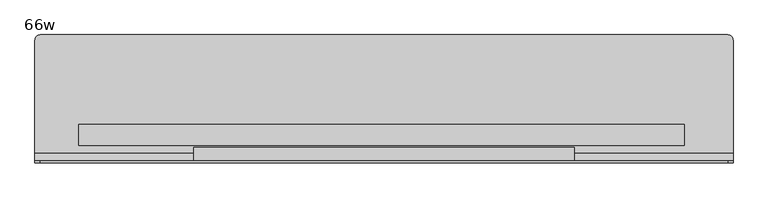
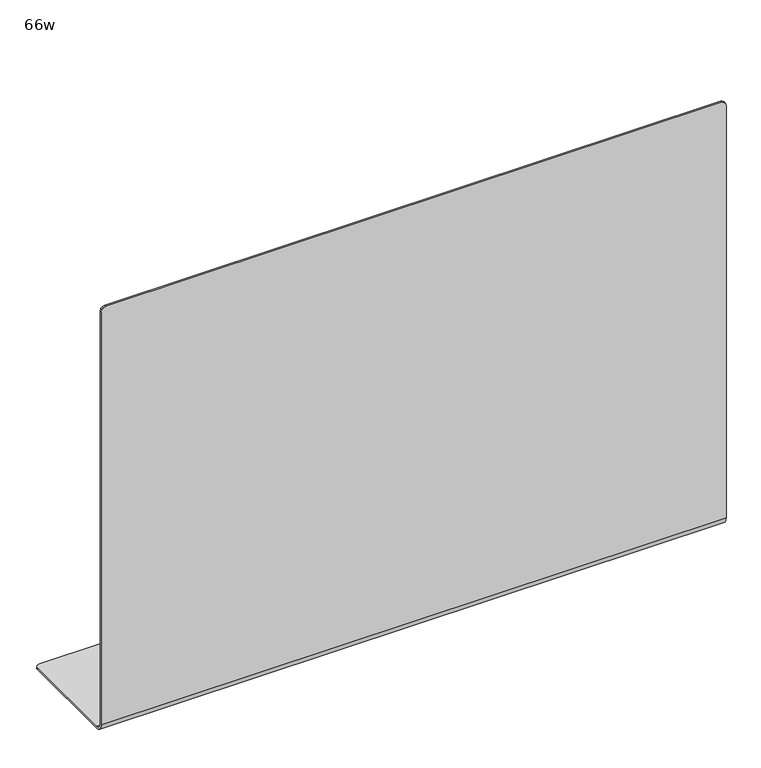
"""IFC4 building model written with IfcOpenShell, lengths in millimetres: furniture geometry, 66w."""

from ifc_helpers import new_model, si_unit, frame, origin, place, context, project, spatial, polyline, circle_curve, outline, extrude, source, transform, mapped, element, save
from ifc_brep_helpers import plane_surface, cylinder_surface, revolved_surface, advanced_brep


def furniture_66w_752605f5(model_context):
    return source(origin(), model_context, "Body", "SolidModel", [
        extrude(outline(polyline([(936.625, 524.3972258), (936.625, 473.5972258), (-517.525, 473.5972258), (-517.525, 524.3972258), (936.625, 524.3972258)])), frame((0.0, 0.0, 952.5), z_axis=(0.0, 0.0, 1.0), x_axis=(1.0, 0.0, 0.0)), (0.0, 0.0, 1.0), 876.3),
        extrude(outline(polyline([(-241.3, 468.8347258), (673.1, 468.8347258), (673.1, 437.0847266), (-241.3, 437.0847266), (-241.3, 468.8347258)])), frame((0.0, 0.0, 1257.3), z_axis=(0.0, 0.0, 1.0), x_axis=(1.0, 0.0, 0.0)), (0.0, 0.0, 1.0), 520.7),
        advanced_brep(
        [(-622.3, 437.0847266, 1968.5), (-622.3, 437.0847266, 798.5125), (-622.3, 456.1347266, 779.4625), (-622.3, 727.5972258, 779.4625), (-622.3, 727.5972258, 774.7), (-622.3, 456.1347266, 774.7), (-622.3, 432.3222266, 798.5125), (-622.3, 432.3222266, 1968.5), (1054.1, 437.0847266, 798.5125), (1054.1, 437.0847266, 1968.5), (1054.1, 432.3222266, 1968.5), (1054.1, 432.3222266, 798.5125), (1054.1, 456.1347266, 774.7), (1054.1, 727.5972258, 774.7), (1054.1, 727.5972258, 779.4625), (1054.1, 456.1347266, 779.4625), (-609.6, 437.0847266, 1981.2), (1041.4, 437.0847266, 1981.2), (1041.4, 432.3222265, 1981.2), (-609.6, 432.3222265, 1981.2), (-609.6, 740.2972258, 774.7), (1041.4, 740.2972258, 774.7), (-609.6, 740.2972258, 779.4625), (1041.4, 740.2972258, 779.4625)],
        [
            (0, 1),
            (1, 2, circle_curve(frame((-622.3, 456.1347266, 798.5125), z_axis=(1.0, 0.0, 0.0), x_axis=(0.0, -1.0, 0.0)), 19.05)),
            (2, 3),
            (3, 4),
            (4, 5),
            (5, 6, circle_curve(frame((-622.3, 456.1347266, 798.5125), z_axis=(-1.0, 0.0, 0.0), x_axis=(0.0, -1.0, 0.0)), 23.8125)),
            (6, 7),
            (7, 0),
            (8, 9),
            (9, 10),
            (10, 11),
            (11, 12, circle_curve(frame((1054.1, 456.1347266, 798.5125), z_axis=(1.0, 0.0, 0.0), x_axis=(0.0, -1.0, 0.0)), 23.8125)),
            (12, 13),
            (13, 14),
            (14, 15),
            (15, 8, circle_curve(frame((1054.1, 456.1347266, 798.5125), z_axis=(-1.0, 0.0, 0.0), x_axis=(0.0, -1.0, 0.0)), 19.05)),
            (0, 16, circle_curve(frame((-609.6, 437.0847266, 1968.5), z_axis=(0.0, 1.0, 0.0), x_axis=(0.0, 0.0, 1.0)), 12.7)),
            (16, 17),
            (17, 9, circle_curve(frame((1041.4, 437.0847266, 1968.5), z_axis=(0.0, 1.0, 0.0), x_axis=(0.0, 0.0, 1.0)), 12.7)),
            (8, 1),
            (6, 11),
            (10, 18, circle_curve(frame((1041.4, 432.3222265, 1968.5), z_axis=(0.0, -1.0, 0.0), x_axis=(0.0, 0.0, 1.0)), 12.7)),
            (18, 19),
            (19, 7, circle_curve(frame((-609.6, 432.3222265, 1968.5), z_axis=(0.0, -1.0, 0.0), x_axis=(0.0, 0.0, 1.0)), 12.7)),
            (5, 12),
            (4, 20, circle_curve(frame((-609.6, 727.5972258, 774.7), z_axis=(0.0, 0.0, -1.0), x_axis=(1.0, 0.0, 0.0)), 12.7)),
            (20, 21),
            (21, 13, circle_curve(frame((1041.4, 727.5972258, 774.7), z_axis=(0.0, 0.0, -1.0), x_axis=(1.0, 0.0, 0.0)), 12.7)),
            (20, 22),
            (22, 23),
            (23, 21),
            (14, 23, circle_curve(frame((1041.4, 727.5972258, 779.4625), z_axis=(0.0, 0.0, 1.0), x_axis=(1.0, 0.0, 0.0)), 12.7)),
            (22, 3, circle_curve(frame((-609.6, 727.5972258, 779.4625), z_axis=(0.0, 0.0, 1.0), x_axis=(1.0, 0.0, 0.0)), 12.7)),
            (2, 15),
            (18, 17),
            (16, 19),
        ],
        [
            plane_surface(frame((-622.3, 437.0847266, 811.2125), z_axis=(-1.0, 0.0, 0.0), x_axis=(0.0, 0.0, 1.0))),
            plane_surface(frame((1054.1, 437.0847266, 811.2125), z_axis=(1.0, 0.0, 0.0), x_axis=(0.0, 0.0, -1.0))),
            plane_surface(frame((-622.3, 437.0847266, 798.5125), z_axis=(0.0, 1.0, 0.0), x_axis=(1.0, 0.0, 0.0))),
            plane_surface(frame((-622.3, 432.3222266, 811.2125), z_axis=(0.0, -1.0, -1.1425527191491285e-11), x_axis=(1.0, 0.0, 0.0))),
            cylinder_surface(frame((1054.1, 456.1347266, 798.5125), z_axis=(-1.0, 0.0, 0.0), x_axis=(0.0, -1.0, 0.0)), 23.8125),
            plane_surface(frame((-622.3, 456.1347266, 774.7), z_axis=(0.0, 0.0, -1.0), x_axis=(1.0, 0.0, 0.0))),
            plane_surface(frame((-622.3, 740.2972258, 774.7), z_axis=(0.0, 1.0, 0.0), x_axis=(1.0, 0.0, 0.0))),
            plane_surface(frame((-622.3, 740.2972258, 779.4625), z_axis=(0.0, 0.0, 1.0), x_axis=(1.0, 0.0, 0.0))),
            revolved_surface(polyline([(1054.1, 437.0847266, 798.5125), (-622.3, 437.0847266, 798.5125)]), (1054.1, 456.1347266, 798.5125), (1.0, 0.0, 0.0)),
            plane_surface(frame((-609.6, 432.3222266, 1981.2), z_axis=(0.0, 0.0, 1.0), x_axis=(0.0, 1.0, 0.0))),
            cylinder_surface(frame((1041.4, 437.0847266, 1968.5), z_axis=(0.0, -1.0, 0.0), x_axis=(0.0, 0.0, 1.0)), 12.7),
            cylinder_surface(frame((-609.6, 437.0847266, 1968.5), z_axis=(0.0, -1.0, 0.0), x_axis=(0.0, 0.0, 1.0)), 12.7),
            cylinder_surface(frame((-609.6, 727.5972258, 700.272573), z_axis=(0.0, 0.0, -1.0), x_axis=(1.0, 0.0, 0.0)), 12.7),
            cylinder_surface(frame((1041.4, 727.5972258, 0.0), z_axis=(0.0, 0.0, -1.0), x_axis=(1.0, 0.0, 0.0)), 12.7),
        ],
        [
            (0, [[1, 2, 3, 4, 5, 6, 7, 8]]),
            (1, [[9, 10, 11, 12, 13, 14, 15, 16]]),
            (2, [[17, 18, 19, -9, 20, -1]]),
            (3, [[21, -11, 22, 23, 24, -7]]),
            (4, [[25, -12, -21, -6]]),
            (5, [[-5, 26, 27, 28, -13, -25]]),
            (6, [[29, 30, 31, -27]]),
            (7, [[-15, 32, -30, 33, -3, 34]]),
            (8, [[-20, -16, -34, -2]]),
            (9, [[35, -18, 36, -23]]),
            (10, [[-10, -19, -35, -22]]),
            (11, [[-36, -17, -8, -24]]),
            (12, [[-33, -29, -26, -4]]),
            (13, [[-28, -31, -32, -14]]),
        ],
    ),
    ])


if __name__ == "__main__":
    model = new_model("IFC4")
    model_context = context("Model", 3, world=origin())
    ifc_project = project(units=[si_unit("LENGTHUNIT", "METRE", prefix="MILLI")], contexts=[model_context])
    site = spatial("IfcSite", under=ifc_project)
    building = spatial("IfcBuilding", under=site)
    placement = place(None, origin())
    furniture_66w_shape = furniture_66w_752605f5(model_context)
    element("IfcFurniture", 1, ObjectType="66w", at=placement, inside=building, context=model_context, shape_type="MappedRepresentation", body=[
        mapped(furniture_66w_shape, transform((0.0, 0.0, 0.0), x_axis=(1.0, 0.0, 0.0), y_axis=(0.0, 1.0, 0.0), z_axis=(0.0, 0.0, 1.0))),
    ])
    save(model, "model.ifc")
